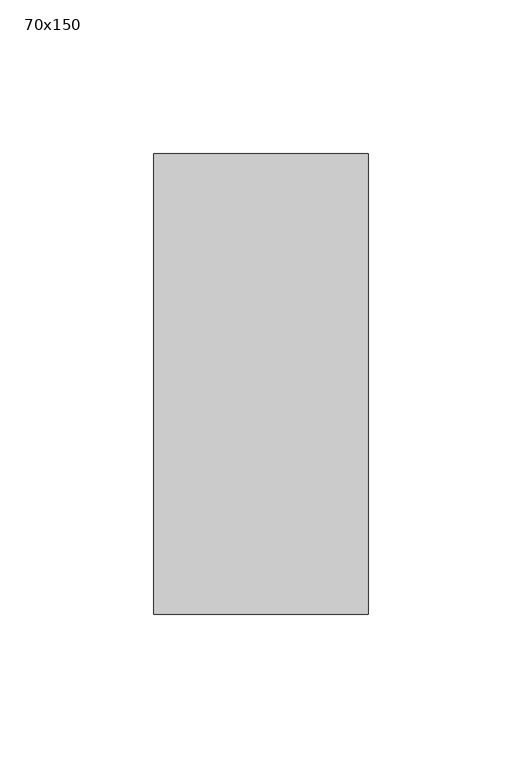
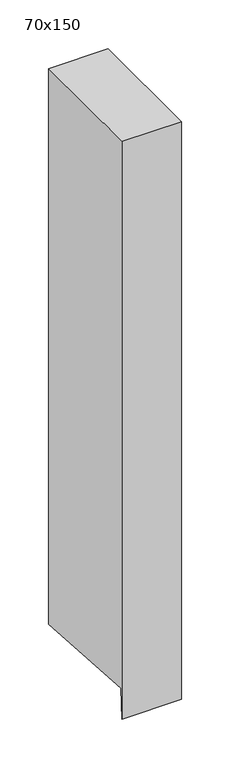
"""IFC4 building model written with IfcOpenShell, lengths in millimetres: member geometry, 70x150."""

from ifc_helpers import new_model, si_unit, frame, origin, place, context, project, spatial, polyline, outline, extrude, source, transform, mapped, element, save


def member_70x150_27cdc2a3(model_context):
    return source(origin(), model_context, "Body", "SweptSolid", [
        extrude(outline(polyline([(-75.0, 0.0), (75.0, 0.0), (75.0, -693.5137706), (-72.5739814, -683.929387), (-75.0, -721.2836128), (-75.0, 0.0)])), frame((-70.0, 0.0, 0.0), z_axis=(1.0, 0.0, 0.0), x_axis=(0.0, 1.0, 0.0)), (0.0, 0.0, 1.0), 70.0),
    ])


if __name__ == "__main__":
    model = new_model("IFC4")
    model_context = context("Model", 3, world=origin())
    ifc_project = project(units=[si_unit("LENGTHUNIT", "METRE", prefix="MILLI")], contexts=[model_context])
    site = spatial("IfcSite", under=ifc_project)
    building = spatial("IfcBuilding", under=site)
    placement = place(None, origin())
    member_70x150_shape = member_70x150_27cdc2a3(model_context)
    element("IfcMember", 1, ObjectType="70x150", at=placement, inside=building, context=model_context, shape_type="MappedRepresentation", body=[
        mapped(member_70x150_shape, transform((0.0, 0.0, 0.0), x_axis=(1.0, 0.0, 0.0), y_axis=(0.0, 1.0, 0.0), z_axis=(0.0, 0.0, 1.0))),
    ])
    save(model, "model.ifc")
